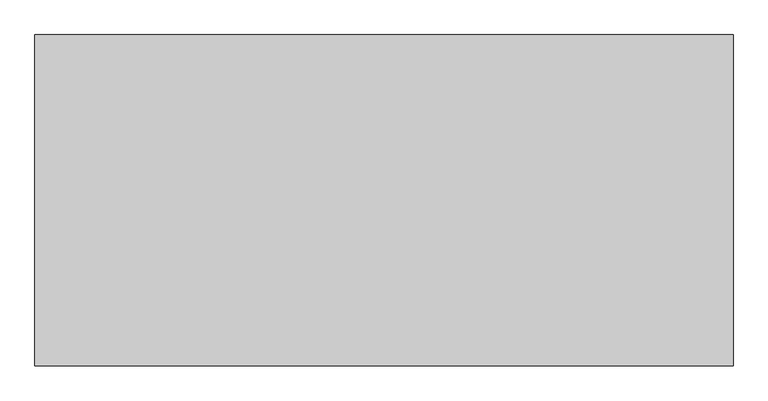
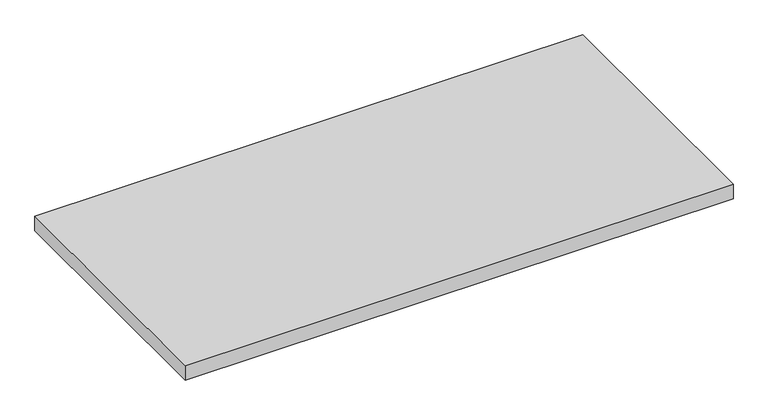
"""IFC4 building model written with IfcOpenShell, lengths in millimetres: furniture geometry."""

from ifc_helpers import new_model, si_unit, frame, origin, place, context, project, spatial, polyline, outline, extrude, source, transform, mapped, element, save


def furniture_9c681e66(model_context):
    return source(origin(), model_context, "Body", "SweptSolid", [
        extrude(outline(polyline([(303.276, 833.501), (303.276, 328.549), (-760.476, 328.549), (-760.476, 833.501), (303.276, 833.501)])), frame((0.0, 0.0, 964.184), z_axis=(0.0, 0.0, 1.0), x_axis=(1.0, 0.0, 0.0)), (0.0, 0.0, 1.0), 29.591),
    ])


if __name__ == "__main__":
    model = new_model("IFC4")
    model_context = context("Model", 3, world=origin())
    ifc_project = project(units=[si_unit("LENGTHUNIT", "METRE", prefix="MILLI")], contexts=[model_context])
    site = spatial("IfcSite", under=ifc_project)
    building = spatial("IfcBuilding", under=site)
    placement = place(None, origin())
    furniture_shape = furniture_9c681e66(model_context)
    element("IfcFurniture", 1, at=placement, inside=building, context=model_context, shape_type="MappedRepresentation", body=[
        mapped(furniture_shape, transform((0.0, 0.0, 0.0), x_axis=(1.0, 0.0, 0.0), y_axis=(0.0, 1.0, 0.0), z_axis=(0.0, 0.0, 1.0))),
    ])
    save(model, "model.ifc")
